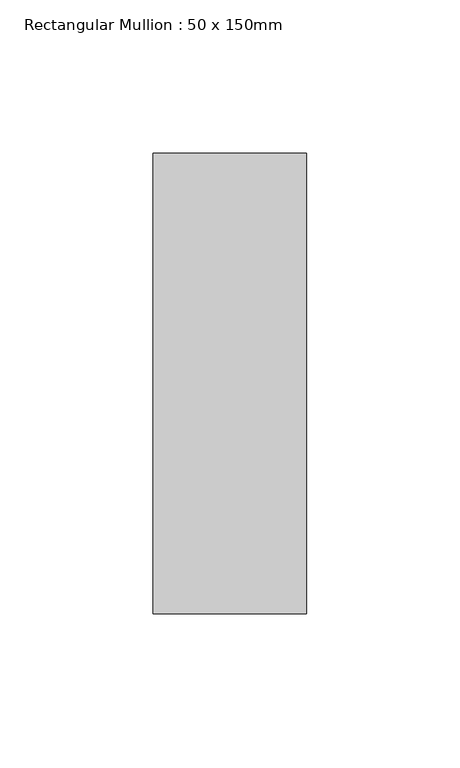
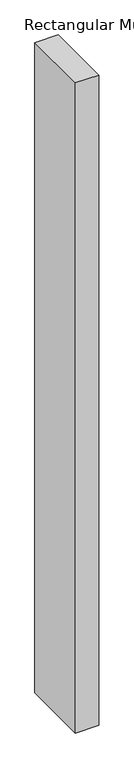
"""IFC4 building model written with IfcOpenShell, lengths in millimetres: member geometry, Rectangular Mullion : 50 x 150mm."""

from ifc_helpers import new_model, si_unit, frame, origin, place, context, project, spatial, polyline, outline, extrude, source, transform, mapped, element, save


def rectangular_mullion_50_x_150mm_bd9a5dd1(model_context):
    return source(origin(), model_context, "Body", "SweptSolid", [
        extrude(outline(polyline([(25.0, 75.0), (25.0, -75.0), (-25.0, -75.0), (-25.0, 75.0), (25.0, 75.0)])), frame((0.0, 0.0, -1466.7121727), z_axis=(0.0, 0.0, 1.0), x_axis=(1.0, 0.0, 0.0)), (0.0, 0.0, 1.0), 1466.7121727),
    ])


if __name__ == "__main__":
    model = new_model("IFC4")
    model_context = context("Model", 3, world=origin())
    ifc_project = project(units=[si_unit("LENGTHUNIT", "METRE", prefix="MILLI")], contexts=[model_context])
    site = spatial("IfcSite", under=ifc_project)
    building = spatial("IfcBuilding", under=site)
    placement = place(None, origin())
    rectangular_mullion_50_x_150mm_shape = rectangular_mullion_50_x_150mm_bd9a5dd1(model_context)
    element("IfcMember", 1, ObjectType="Rectangular Mullion : 50 x 150mm", at=placement, inside=building, context=model_context, shape_type="MappedRepresentation", body=[
        mapped(rectangular_mullion_50_x_150mm_shape, transform((0.0, 0.0, 0.0), x_axis=(1.0, 0.0, 0.0), y_axis=(0.0, 1.0, 0.0), z_axis=(0.0, 0.0, 1.0))),
    ])
    save(model, "model.ifc")
